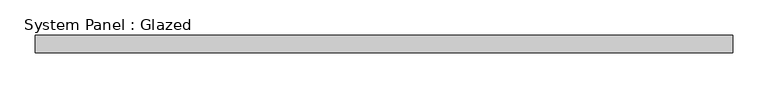
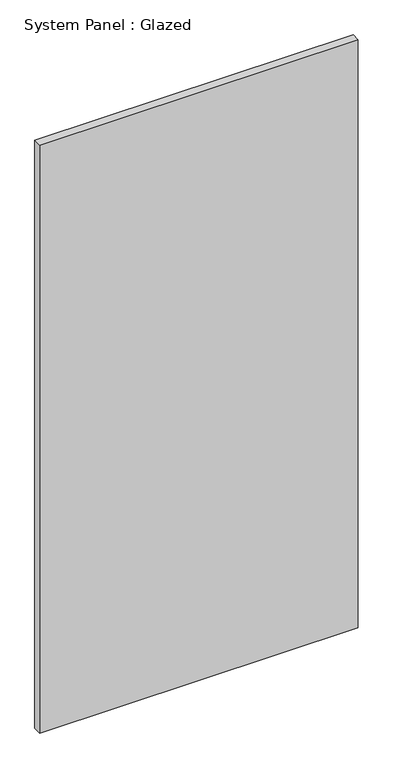
"""IFC4 building model written with IfcOpenShell, lengths in millimetres: plate geometry, System Panel : Glazed."""

from ifc_helpers import new_model, si_unit, origin, origin_with_axes, place, context, project, spatial, polyline, outline, extrude, source, transform, mapped, element, save


def system_panel_glazed_af9c111d(model_context):
    return source(origin(), model_context, "Body", "SweptSolid", [
        extrude(outline(polyline([(497.4185592, 24.5), (-497.4185592, 24.5), (-497.4185592, 49.5), (497.4185592, 49.5), (497.4185592, 24.5)])), origin_with_axes(), (0.0, 0.0, 1.0), 1940.3411693),
    ])


if __name__ == "__main__":
    model = new_model("IFC4")
    model_context = context("Model", 3, world=origin())
    ifc_project = project(units=[si_unit("LENGTHUNIT", "METRE", prefix="MILLI")], contexts=[model_context])
    site = spatial("IfcSite", under=ifc_project)
    building = spatial("IfcBuilding", under=site)
    placement = place(None, origin())
    system_panel_glazed_shape = system_panel_glazed_af9c111d(model_context)
    element("IfcPlate", 1, ObjectType="System Panel : Glazed", at=placement, inside=building, context=model_context, shape_type="MappedRepresentation", body=[
        mapped(system_panel_glazed_shape, transform((0.0, 0.0, 0.0), x_axis=(1.0, 0.0, 0.0), y_axis=(0.0, 1.0, 0.0), z_axis=(0.0, 0.0, 1.0))),
    ])
    save(model, "model.ifc")
